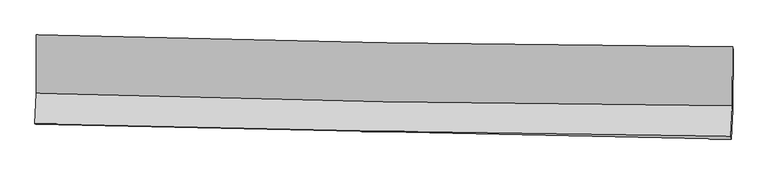
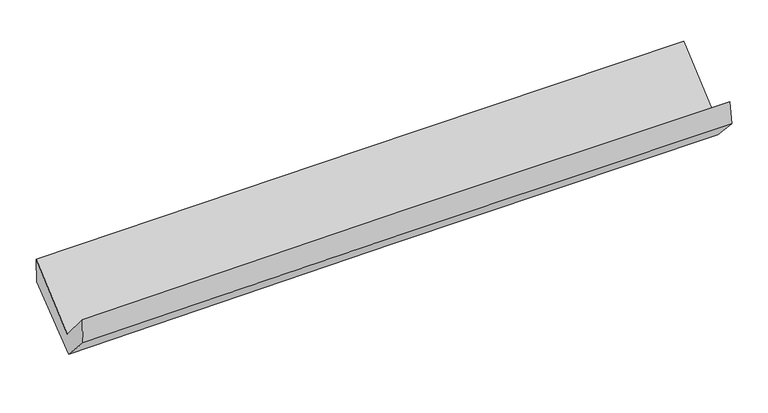
"""IFC4 building model written with IfcOpenShell, lengths in millimetres: proxy geometry."""

from ifc_helpers import new_model, si_unit, frame, origin, place, context, project, spatial, source, transform, mapped, element, save
from ifc_brep_helpers import plane_surface, spline_curve, spline_surface, advanced_brep


def generic_models_e6f8d4d3(model_context):
    return source(origin(), model_context, "Body", "AdvancedBrep", [
        advanced_brep(
        [(-3022.2487844, -1160.7060125, 2189.1834068), (-3022.2493189, -1665.3335823, 1750.3143998), (3011.6423247, -1773.1250305, 1876.3748203), (3013.9130524, -1261.8104009, 2308.0918993), (-3034.808428, -1932.4927308, 2057.503735), (2999.2224251, -2037.0016209, 2179.5219717), (-3029.4984807, -1933.6719401, 1828.3596221), (3002.9889375, -2063.5454347, 1975.4804666), (-3018.2227639, -1683.3680653, 1561.6459776), (3014.2263403, -1815.4046783, 1711.0717272), (-3017.0459731, -1163.543151, 1963.1999623), (3017.3510714, -1292.3888908, 2115.1659707)],
        [
            (0, 1),
            (1, 2, spline_curve(3, [(-3022.2493189, -1665.3335823, 1750.3143998), (-2017.511554257, -1697.152301652, 1794.957639291), (-1012.382820114, -1722.044018828, 1827.784461924), (998.914194303, -1757.978051593, 1869.81065758), (2005.08267451, -1769.016816823, 1879.003974882), (3011.6423247, -1773.1250305, 1876.3748203)], [4, 2, 4], [0.0, 9.90292235474078, 19.8083817617737])),
            (2, 3),
            (3, 0, spline_curve(3, [(3013.9130524, -1261.8104009, 2308.0918993), (2007.243584343, -1257.448126717, 2300.183040092), (1000.830971015, -1246.839744904, 2286.317537392), (-1011.222843095, -1213.13508278, 2246.678322388), (-2016.864175393, -1190.042001877, 2220.907660855), (-3022.2487844, -1160.7060125, 2189.1834068)], [4, 2, 4], [0.0, 9.90545940703292, 19.8083817617737])),
            (1, 4),
            (4, 5, spline_curve(3, [(-3034.808428, -1932.4927308, 2057.503735), (-2029.794491797, -1958.521151546, 2095.176084268), (-1024.516056269, -1980.243871985, 2124.180253168), (986.82742601, -2015.082375121, 2164.857440755), (1992.892608145, -2028.195951272, 2176.52601738), (2999.2224251, -2037.0016209, 2179.5219717)], [4, 2, 4], [0.0, 9.90135617470528, 19.80524900045946])),
            (5, 2),
            (4, 6),
            (6, 7, spline_curve(3, [(-3029.4984807, -1933.6719401, 1828.3596221), (-2024.372131816, -1956.212525364, 1861.346193446), (-1019.166069378, -1978.304280336, 1890.098521603), (991.663029437, -2021.595675214, 1939.140972942), (1997.286106123, -2042.795085138, 1959.428926224), (3002.9889375, -2063.5454347, 1975.4804666)], [4, 2, 4], [0.0, 9.90036914765114, 19.803274693482468])),
            (7, 5),
            (6, 8),
            (8, 9, spline_curve(3, [(-3018.2227639, -1683.3680653, 1561.6459776), (-2012.867100629, -1701.037014195, 1589.441548904), (-1007.549558099, -1720.872853148, 1615.79007058), (1003.266829329, -1764.883946981, 1665.599395586), (2008.76565515, -1789.06031269, 1689.059456635), (3014.2263403, -1815.4046783, 1711.0717272)], [4, 2, 4], [0.0, 9.899883399169209, 19.80230307207359])),
            (9, 7),
            (8, 10),
            (10, 11, spline_curve(3, [(-3017.0459731, -1163.543151, 1963.1999623), (-2011.412761128, -1186.295837772, 1987.079702109), (-1005.794140254, -1208.408032757, 2011.681691415), (1005.671549047, -1251.356940928, 2062.336657259), (2011.51860914, -1272.193325732, 2088.390004186), (3017.3510714, -1292.3888908, 2115.1659707)], [4, 2, 4], [0.0, 9.901482140815611, 19.80550096495167])),
            (11, 9),
            (10, 0),
            (3, 11),
        ],
        [
            spline_surface(3, 3, [[(-3022.2487844, -1160.7060125, 2189.1834068), (-2016.864175341, -1190.042001849, 2220.907660776), (-1011.222843054, -1213.135082855, 2246.678322354), (1000.830970974, -1246.839744829, 2286.317537426), (2007.243584315, -1257.448126634, 2300.183040043), (3013.9130524, -1261.8104009, 2308.0918993)], [(-3022.248962569, -1328.915202437, 2042.893737779), (-2017.079968324, -1359.07876848, 2078.924320206), (-1011.60950202, -1382.771394914, 2107.047035569), (1000.192045387, -1417.21918039, 2147.481910784), (2006.523281025, -1427.971023414, 2159.790018291), (3013.156143166, -1432.248610779, 2164.186206302)], [(-3022.249140731, -1497.124392363, 1896.604068821), (-2017.2957613, -1528.115535101, 1936.940979699), (-1011.996161023, -1552.407706912, 1967.415748787), (999.553119765, -1587.59861589, 2008.646284144), (2005.802977736, -1598.493920159, 2019.396996532), (3012.399233934, -1602.686820621, 2020.280513298)], [(-3022.2493189, -1665.3335823, 1750.3143998), (-2017.511554282, -1697.152301732, 1794.957639129), (-1012.382819989, -1722.044018971, 1827.784462002), (998.914194178, -1757.978051451, 1869.810657502), (2005.082674446, -1769.016816939, 1879.003974779), (3011.6423247, -1773.1250305, 1876.3748203)]], [4, 4], [4, 2, 4], [0.0, 2.162867658203507], [0.0, 9.90292235474078, 19.8083817617737]),
            spline_surface(3, 3, [[(-3022.2493189, -1665.3335823, 1750.3143998), (-2017.511554282, -1697.152301732, 1794.957639129), (-1012.382819989, -1722.044018971, 1827.784462002), (998.914194178, -1757.978051451, 1869.810657502), (2005.082674446, -1769.016816939, 1879.003974779), (3011.6423247, -1773.1250305, 1876.3748203)], [(-3026.435688599, -1754.386631784, 1852.710844889), (-2021.605866787, -1784.275251613, 1895.030454168), (-1016.427232063, -1808.110636632, 1926.583059087), (994.885271425, -1843.679492669, 1968.159585276), (2001.019318979, -1855.409861696, 1978.177988968), (3007.502358154, -1861.083893941, 1977.423870772)], [(-3030.622058301, -1843.439681316, 1955.107289911), (-2025.700179296, -1871.398201542, 1995.10326914), (-1020.471644121, -1894.177254316, 2025.381656093), (990.856348688, -1929.38093391, 2066.508512972), (1996.955963551, -1941.802906531, 2077.352003143), (3003.362391646, -1949.042757459, 2078.472921228)], [(-3034.808428, -1932.4927308, 2057.503735), (-2029.794491801, -1958.521151423, 2095.176084179), (-1024.516056194, -1980.243871978, 2124.180253178), (986.827425935, -2015.082375128, 2164.857440746), (1992.892608084, -2028.195951287, 2176.526017332), (2999.2224251, -2037.0016209, 2179.5219717)]], [4, 4], [4, 2, 4], [0.0, 1.2874199522437288], [0.0, 9.90135617470528, 19.80524900045946]),
            spline_surface(3, 3, [[(-3034.808428, -1932.4927308, 2057.503735), (-2029.794491801, -1958.521151423, 2095.176084179), (-1024.516056194, -1980.243871978, 2124.180253178), (986.827425935, -2015.082375128, 2164.857440746), (1992.892608084, -2028.195951287, 2176.526017332), (2999.2224251, -2037.0016209, 2179.5219717)], [(-3033.038445568, -1932.885800559, 1981.122364016), (-2027.987038466, -1957.751609367, 2017.232787236), (-1022.732727216, -1979.597341438, 2046.153009287), (988.439293717, -2017.253475167, 2089.618618117), (1994.357107463, -2033.062329207, 2104.160320305), (3000.477929251, -2045.84955885, 2111.508136676)], [(-3031.268463132, -1933.278870341, 1904.740993084), (-2026.179585126, -1956.982067334, 1939.289490345), (-1020.94939822, -1978.950810871, 1968.125765485), (990.051161518, -2019.42457518, 2014.379795578), (1995.82160679, -2037.928707077, 2031.794623252), (3001.733433349, -2054.69749675, 2043.494301624)], [(-3029.4984807, -1933.6719401, 1828.3596221), (-2024.372131791, -1956.212525277, 1861.346193403), (-1019.166069242, -1978.304280332, 1890.098521594), (991.6630293, -2021.595675219, 1939.14097295), (1997.286106169, -2042.795084996, 1959.428926225), (3002.9889375, -2063.5454347, 1975.4804666)]], [4, 4], [4, 2, 4], [0.0, 0.7544810047996883], [0.0, 9.90036914765114, 19.803274693482468]),
            spline_surface(3, 3, [[(-3029.4984807, -1933.6719401, 1828.3596221), (-2024.372131791, -1956.212525277, 1861.346193403), (-1019.166069242, -1978.304280332, 1890.098521594), (991.6630293, -2021.595675219, 1939.14097295), (1997.286106169, -2042.795084996, 1959.428926225), (3002.9889375, -2063.5454347, 1975.4804666)], [(-3025.739908444, -1850.237315165, 1739.455073945), (-2020.537121377, -1871.154021629, 1770.711311873), (-1015.293898859, -1892.493804563, 1798.662371307), (995.530962701, -1936.025099127, 1847.960447124), (2001.112622491, -1958.216827509, 1869.305769717), (3006.734738427, -1980.831849221, 1887.344220128)], [(-3021.981336156, -1766.802690235, 1650.550525755), (-2016.702110932, -1786.095517984, 1680.076430308), (-1011.421728566, -1806.683328875, 1707.226221), (999.398896013, -1850.454523115, 1756.779921279), (2004.939138832, -1873.638570059, 1779.182613226), (3010.480539373, -1898.118263779, 1799.207973672)], [(-3018.2227639, -1683.3680653, 1561.6459776), (-2012.867100519, -1701.037014335, 1589.441548777), (-1007.549558183, -1720.872853106, 1615.790070712), (1003.266829414, -1764.883947023, 1665.599395453), (2008.765655155, -1789.060312572, 1689.059456718), (3014.2263403, -1815.4046783, 1711.0717272)]], [4, 4], [4, 2, 4], [0.0, 1.2330695490031247], [0.0, 9.899883399169209, 19.80230307207359]),
            spline_surface(3, 3, [[(-3018.2227639, -1683.3680653, 1561.6459776), (-2012.867100519, -1701.037014335, 1589.441548777), (-1007.549558183, -1720.872853106, 1615.790070712), (1003.266829414, -1764.883947023, 1665.599395453), (2008.765655155, -1789.060312572, 1689.059456718), (3014.2263403, -1815.4046783, 1711.0717272)], [(-3017.830500287, -1510.093093878, 1695.49730582), (-2012.382320757, -1529.456622105, 1721.987599821), (-1006.964418829, -1550.051246329, 1747.753944247), (1004.068402562, -1593.708278321, 1797.84514941), (2009.683306523, -1616.771316947, 1822.169639159), (3015.267917352, -1641.066082463, 1845.769808344)], [(-3017.438236713, -1336.818122422, 1829.34863408), (-2011.897541033, -1357.876229841, 1854.533650904), (-1006.379279447, -1379.229639548, 1879.717817799), (1004.869975737, -1422.532609616, 1930.090903383), (2010.600957836, -1444.482321332, 1955.279821667), (3016.309494348, -1466.727486637, 1980.467889556)], [(-3017.0459731, -1163.543151, 1963.1999623), (-2011.412761272, -1186.295837612, 1987.079701947), (-1005.794140092, -1208.40803277, 2011.681691334), (1005.671548885, -1251.356940915, 2062.33665734), (2011.518609205, -1272.193325707, 2088.390004107), (3017.3510714, -1292.3888908, 2115.1659707)]], [4, 4], [4, 2, 4], [0.0, 2.1268207420860845], [0.0, 9.901482140815611, 19.80550096495167]),
            spline_surface(3, 3, [[(-3017.0459731, -1163.543151, 1963.1999623), (-2011.412761272, -1186.295837612, 1987.079701947), (-1005.794140092, -1208.40803277, 2011.681691334), (1005.671548885, -1251.356940915, 2062.33665734), (2011.518609205, -1272.193325707, 2088.390004107), (3017.3510714, -1292.3888908, 2115.1659707)], [(-3018.780243533, -1162.597438177, 2038.52777715), (-2013.229899295, -1187.544559034, 2065.022354906), (-1007.603707767, -1209.983716135, 2090.013901678), (1004.058022894, -1249.85120889, 2136.996950706), (2010.093600893, -1267.278259363, 2158.987682765), (3016.205065051, -1282.196060847, 2179.474613579)], [(-3020.514513967, -1161.651725323, 2113.85559195), (-2015.047037318, -1188.793280426, 2142.965007817), (-1009.413275379, -1211.55939949, 2168.34611201), (1002.444496965, -1248.345476854, 2211.65724406), (2008.668592627, -1262.363192978, 2229.585361386), (3015.059058749, -1272.003230853, 2243.783256421)], [(-3022.2487844, -1160.7060125, 2189.1834068), (-2016.864175341, -1190.042001849, 2220.907660776), (-1011.222843054, -1213.135082855, 2246.678322354), (1000.830970974, -1246.839744829, 2286.317537426), (2007.243584315, -1257.448126634, 2300.183040043), (3013.9130524, -1261.8104009, 2308.0918993)]], [4, 4], [4, 2, 4], [0.0, 0.7530997413043421], [0.0, 9.903503778485772, 19.809544758219964]),
            plane_surface(frame((3009.8906919, -1707.212676, 2027.6178093), z_axis=(0.9995185803170135, -0.022487184555496385, 0.021376017679378648), x_axis=(0.004727676616721026, 0.7913159201505933, 0.6113892079437023))),
            plane_surface(frame((-3024.0122915, -1589.8525803, 1891.7011839), z_axis=(-0.999524498022913, 0.02023530618937382, -0.023266074775656582), x_axis=(0.02301506337473139, -0.012550315184882005, -0.9996563391719263))),
        ],
        [
            (0, [[1, 2, 3, 4]]),
            (1, [[5, 6, 7, -2]]),
            (2, [[8, 9, 10, -6]]),
            (3, [[11, 12, 13, -9]]),
            (4, [[14, 15, 16, -12]]),
            (5, [[17, -4, 18, -15]]),
            (6, [[-16, -18, -3, -7, -10, -13]]),
            (7, [[-17, -14, -11, -8, -5, -1]]),
        ],
    ),
    ])


if __name__ == "__main__":
    model = new_model("IFC4")
    model_context = context("Model", 3, world=origin())
    ifc_project = project(units=[si_unit("LENGTHUNIT", "METRE", prefix="MILLI")], contexts=[model_context])
    site = spatial("IfcSite", under=ifc_project)
    building = spatial("IfcBuilding", under=site)
    placement = place(None, origin())
    generic_models_shape = generic_models_e6f8d4d3(model_context)
    element("IfcBuildingElementProxy", 1, Name="Generic Models", at=placement, inside=building, context=model_context, shape_type="MappedRepresentation", body=[
        mapped(generic_models_shape, transform((0.0, 0.0, 0.0), x_axis=(1.0, 0.0, 0.0), y_axis=(0.0, 1.0, 0.0), z_axis=(0.0, 0.0, 1.0))),
    ])
    save(model, "model.ifc")
